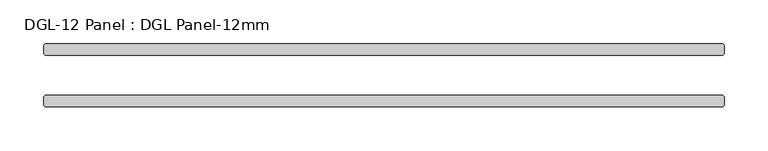
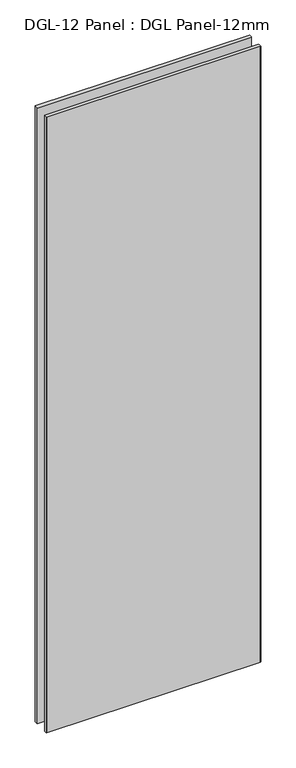
"""IFC4 building model written with IfcOpenShell, lengths in millimetres: plate geometry, DGL-12 Panel : DGL Panel-12mm."""

from ifc_helpers import new_model, si_unit, origin, origin_with_axes, place, context, project, spatial, polyline, outline, extrude, source, transform, mapped, element, save


def dgl_12_panel_dgl_panel_12mm_392fd976(model_context):
    return source(origin(), model_context, "Body", "SweptSolid", [
        extrude(outline(polyline([(384.9931225, -22.9195313), (386.5806225, -24.5070313), (386.5806225, -34.0320313), (384.9931225, -35.6195313), (-384.9931225, -35.6195313), (-386.5806225, -34.0320313), (-386.5806225, -24.5070313), (-384.9931225, -22.9195313), (384.9931225, -22.9195313)])), origin_with_axes(), (0.0, 0.0, 1.0), 2339.4648576),
        extrude(outline(polyline([(384.9931225, 35.6195312), (386.5806225, 34.0320312), (386.5806225, 24.5070312), (384.9931225, 22.9195312), (-384.9931225, 22.9195312), (-386.5806225, 24.5070312), (-386.5806225, 34.0320312), (-384.9931225, 35.6195312), (384.9931225, 35.6195312)])), origin_with_axes(), (0.0, 0.0, 1.0), 2339.4648576),
    ])


if __name__ == "__main__":
    model = new_model("IFC4")
    model_context = context("Model", 3, world=origin())
    ifc_project = project(units=[si_unit("LENGTHUNIT", "METRE", prefix="MILLI")], contexts=[model_context])
    site = spatial("IfcSite", under=ifc_project)
    building = spatial("IfcBuilding", under=site)
    placement = place(None, origin())
    dgl_12_panel_dgl_panel_12mm_shape = dgl_12_panel_dgl_panel_12mm_392fd976(model_context)
    element("IfcPlate", 1, ObjectType="DGL-12 Panel : DGL Panel-12mm", at=placement, inside=building, context=model_context, shape_type="MappedRepresentation", body=[
        mapped(dgl_12_panel_dgl_panel_12mm_shape, transform((0.0, 0.0, 0.0), x_axis=(1.0, 0.0, 0.0), y_axis=(0.0, 1.0, 0.0), z_axis=(0.0, 0.0, 1.0))),
    ])
    save(model, "model.ifc")
